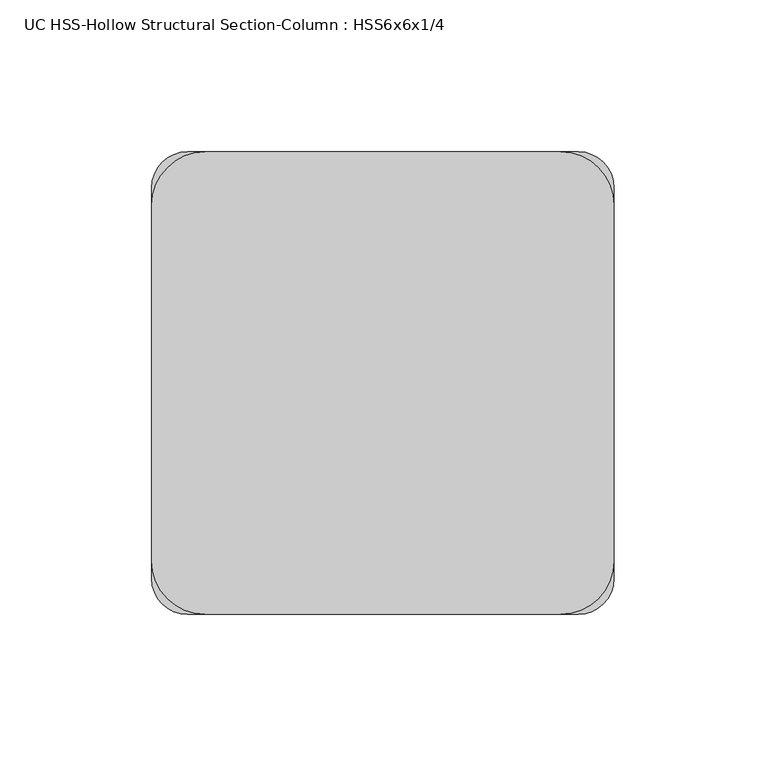
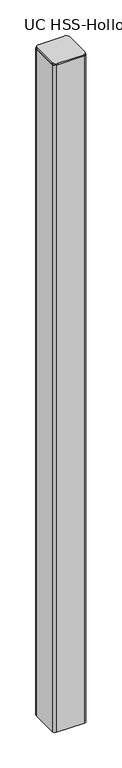
"""IFC4 building model written with IfcOpenShell, lengths in millimetres: column geometry, UC HSS-Hollow Structural Section-Column : HSS6x6x1/4."""

from ifc_helpers import new_model, si_unit, point, frame, frame_2d, origin, place, context, project, spatial, polyline, circle_curve, trimmed, segment, composite_curve, outline, extrude, source, transform, mapped, element, save


def uc_hss_hollow_structural_section_column_hss6x6x1_4_449aee4c(model_context):
    return source(origin(), model_context, "Body", "SweptSolid", [
        extrude(outline(composite_curve([segment(trimmed(circle_curve(frame_2d((-58.5390625, 58.5390625)), 17.6609375), [point((-76.2, 58.5390625))], [point((-58.5390625, 76.2))], False, "CARTESIAN"), True, "CONTINUOUS"), segment(polyline([(-58.5390625, 76.2), (58.5390625, 76.2)]), True, "CONTINUOUS"), segment(trimmed(circle_curve(frame_2d((58.5390625, 58.5390625)), 17.6609375), [point((58.5390625, 76.2))], [point((76.2, 58.5390625))], False, "CARTESIAN"), True, "CONTINUOUS"), segment(polyline([(76.2, 58.5390625), (76.2, -58.5390625)]), True, "CONTINUOUS"), segment(trimmed(circle_curve(frame_2d((58.5390625, -58.5390625)), 17.6609375), [point((76.2, -58.5390625))], [point((58.5390625, -76.2))], False, "CARTESIAN"), True, "CONTINUOUS"), segment(polyline([(58.5390625, -76.2), (-58.5390625, -76.2)]), True, "CONTINUOUS"), segment(trimmed(circle_curve(frame_2d((-58.5390625, -58.5390625)), 17.6609375), [point((-58.5390625, -76.2))], [point((-76.2, -58.5390625))], False, "CARTESIAN"), True, "CONTINUOUS"), segment(polyline([(-76.2, -58.5390625), (-76.2, 58.5390625)]), True, "CONTINUOUS")], self_intersect=False)), frame((0.0, 0.0, 9391.65), z_axis=(0.0, 0.0, 1.0), x_axis=(1.0, 0.0, 0.0)), (0.0, 0.0, 1.0), 6.35),
        extrude(outline(composite_curve([segment(trimmed(circle_curve(frame_2d((64.3636, 64.3636)), 11.8364), [point((64.3636, 76.2))], [point((76.2, 64.3636))], False, "CARTESIAN"), True, "CONTINUOUS"), segment(polyline([(76.2, 64.3636), (76.2, -64.3636)]), True, "CONTINUOUS"), segment(trimmed(circle_curve(frame_2d((64.3636, -64.3636)), 11.8364), [point((76.2, -64.3636))], [point((64.3636, -76.2))], False, "CARTESIAN"), True, "CONTINUOUS"), segment(polyline([(64.3636, -76.2), (-64.3636, -76.2)]), True, "CONTINUOUS"), segment(trimmed(circle_curve(frame_2d((-64.3636, -64.3636)), 11.8364), [point((-64.3636, -76.2))], [point((-76.2, -64.3636))], False, "CARTESIAN"), True, "CONTINUOUS"), segment(polyline([(-76.2, -64.3636), (-76.2, 64.3636)]), True, "CONTINUOUS"), segment(trimmed(circle_curve(frame_2d((-64.3636, 64.3636)), 11.8364), [point((-76.2, 64.3636))], [point((-64.3636, 76.2))], False, "CARTESIAN"), True, "CONTINUOUS"), segment(polyline([(-64.3636, 76.2), (64.3636, 76.2)]), True, "CONTINUOUS")], self_intersect=False), holes=[composite_curve([segment(polyline([(64.3636, 70.2818), (-64.3636, 70.2818)]), True, "CONTINUOUS"), segment(trimmed(circle_curve(frame_2d((-64.3636, 64.3636)), 5.9182), [point((-64.3636, 70.2818))], [point((-70.2818, 64.3636))], True, "CARTESIAN"), True, "CONTINUOUS"), segment(polyline([(-70.2818, 64.3636), (-70.2818, -64.3636)]), True, "CONTINUOUS"), segment(trimmed(circle_curve(frame_2d((-64.3636, -64.3636)), 5.9182), [point((-70.2818, -64.3636))], [point((-64.3636, -70.2818))], True, "CARTESIAN"), True, "CONTINUOUS"), segment(polyline([(-64.3636, -70.2818), (64.3636, -70.2818)]), True, "CONTINUOUS"), segment(trimmed(circle_curve(frame_2d((64.3636, -64.3636)), 5.9182), [point((64.3636, -70.2818))], [point((70.2818, -64.3636))], True, "CARTESIAN"), True, "CONTINUOUS"), segment(polyline([(70.2818, -64.3636), (70.2818, 64.3636)]), True, "CONTINUOUS"), segment(trimmed(circle_curve(frame_2d((64.3636, 64.3636)), 5.9182), [point((70.2818, 64.3636))], [point((64.3636, 70.2818))], True, "CARTESIAN"), True, "CONTINUOUS")], self_intersect=False)]), frame((0.0, 0.0, 6125.0710938), z_axis=(0.0, 0.0, 1.0), x_axis=(1.0, 0.0, 0.0)), (0.0, 0.0, 1.0), 3266.5789062),
    ])


if __name__ == "__main__":
    model = new_model("IFC4")
    model_context = context("Model", 3, world=origin())
    ifc_project = project(units=[si_unit("LENGTHUNIT", "METRE", prefix="MILLI")], contexts=[model_context])
    site = spatial("IfcSite", under=ifc_project)
    building = spatial("IfcBuilding", under=site)
    placement = place(None, origin())
    uc_hss_hollow_structural_section_column_hss6x6x1_4_shape = uc_hss_hollow_structural_section_column_hss6x6x1_4_449aee4c(model_context)
    element("IfcColumn", 1, ObjectType="UC HSS-Hollow Structural Section-Column : HSS6x6x1/4", at=placement, inside=building, context=model_context, shape_type="MappedRepresentation", body=[
        mapped(uc_hss_hollow_structural_section_column_hss6x6x1_4_shape, transform((0.0, 0.0, 0.0), x_axis=(1.0, 0.0, 0.0), y_axis=(0.0, 1.0, 0.0), z_axis=(0.0, 0.0, 1.0))),
    ])
    save(model, "model.ifc")
